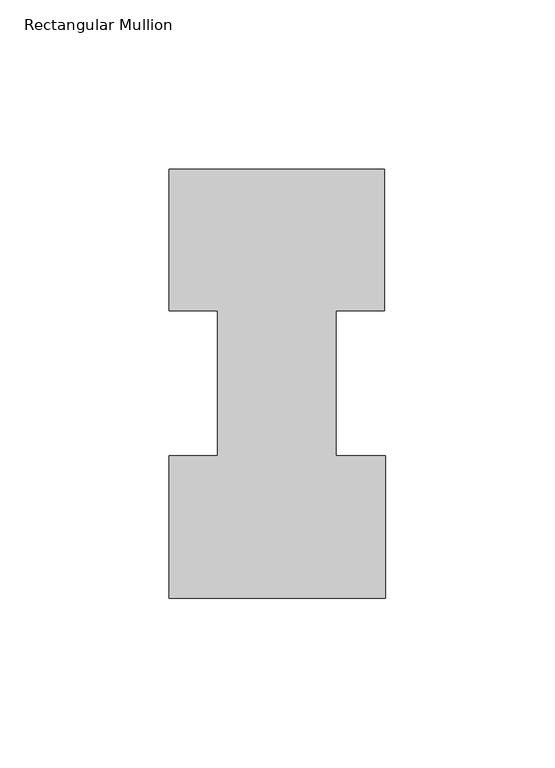
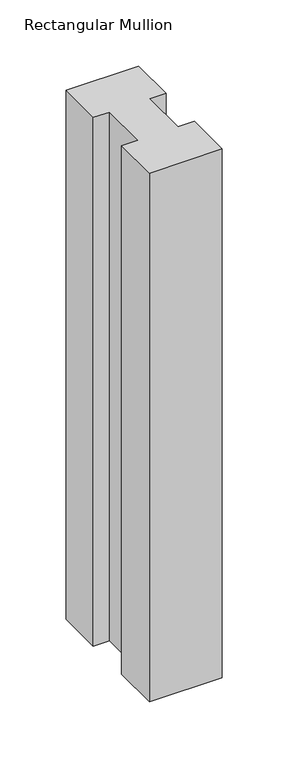
"""IFC4 building model written with IfcOpenShell, lengths in millimetres: member geometry, Rectangular Mullion."""

from ifc_helpers import new_model, si_unit, frame, origin, place, context, project, spatial, polyline, outline, extrude, source, transform, mapped, element, save


def rectangular_mullion_e6eac0b8(model_context):
    return source(origin(), model_context, "Body", "SweptSolid", [
        extrude(outline(polyline([(-49.21504, 85.1296875), (-63.5, 85.1296875), (-63.5, 126.7349164), (0.0, 126.7349164), (0.0, 85.1296875), (-14.2748, 85.1296875), (-14.2748, 42.2799164), (0.2408142, 42.2799164), (0.2408142, 0.2429164), (-63.5, 0.2429164), (-63.5, 42.2799164), (-49.21504, 42.2799164), (-49.21504, 85.1296875)])), frame((0.0, 0.0, -488.9505426), z_axis=(0.0, 0.0, 1.0), x_axis=(1.0, 0.0, 0.0)), (0.0, 0.0, 1.0), 488.9505426),
    ])


if __name__ == "__main__":
    model = new_model("IFC4")
    model_context = context("Model", 3, world=origin())
    ifc_project = project(units=[si_unit("LENGTHUNIT", "METRE", prefix="MILLI")], contexts=[model_context])
    site = spatial("IfcSite", under=ifc_project)
    building = spatial("IfcBuilding", under=site)
    placement = place(None, origin())
    rectangular_mullion_shape = rectangular_mullion_e6eac0b8(model_context)
    element("IfcMember", 1, ObjectType="Rectangular Mullion", at=placement, inside=building, context=model_context, shape_type="MappedRepresentation", body=[
        mapped(rectangular_mullion_shape, transform((0.0, 0.0, 0.0), x_axis=(1.0, 0.0, 0.0), y_axis=(0.0, 1.0, 0.0), z_axis=(0.0, 0.0, 1.0))),
    ])
    save(model, "model.ifc")
